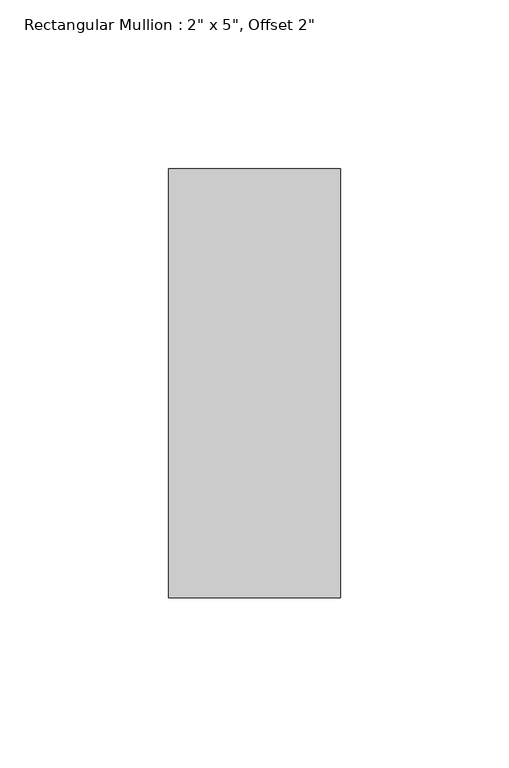
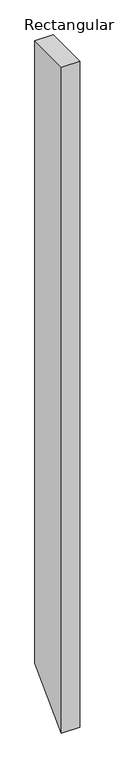
"""IFC4 building model written with IfcOpenShell, lengths in millimetres: member geometry."""

from ifc_helpers import new_model, si_unit, frame, origin, place, context, project, spatial, polyline, outline, extrude, source, transform, mapped, element, save


def member_df0b1694(model_context):
    return source(origin(), model_context, "Body", "SweptSolid", [
        extrude(outline(polyline([(-12.7, 0.0), (114.3, 0.0), (114.3, -1822.45), (-12.7, -1949.45), (-12.7, 0.0)])), frame((-50.8, 0.0, 0.0), z_axis=(1.0, 0.0, 0.0), x_axis=(0.0, 1.0, 0.0)), (0.0, 0.0, 1.0), 50.8),
    ])


if __name__ == "__main__":
    model = new_model("IFC4")
    model_context = context("Model", 3, world=origin())
    ifc_project = project(units=[si_unit("LENGTHUNIT", "METRE", prefix="MILLI")], contexts=[model_context])
    site = spatial("IfcSite", under=ifc_project)
    building = spatial("IfcBuilding", under=site)
    placement = place(None, origin())
    member_shape = member_df0b1694(model_context)
    element("IfcMember", 1, ObjectType="Rectangular Mullion : 2\" x 5\", Offset 2\"", at=placement, inside=building, context=model_context, shape_type="MappedRepresentation", body=[
        mapped(member_shape, transform((0.0, 0.0, 0.0), x_axis=(1.0, 0.0, 0.0), y_axis=(0.0, 1.0, 0.0), z_axis=(0.0, 0.0, 1.0))),
    ])
    save(model, "model.ifc")
